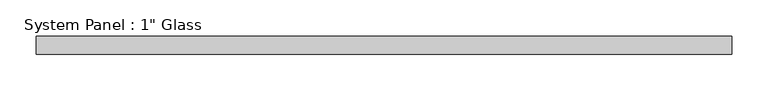
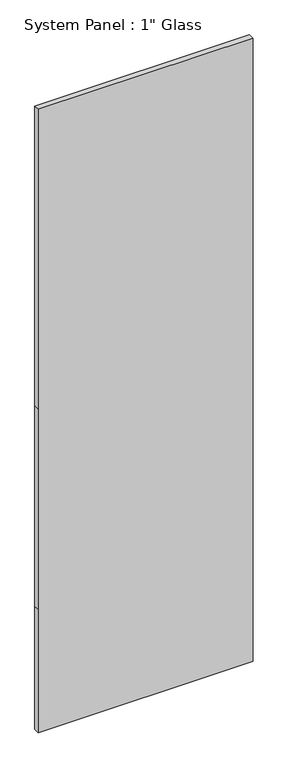
"""IFC4 building model written with IfcOpenShell, lengths in millimetres: plate geometry."""

import ifcopenshell
import ifcopenshell.guid

model = None  # the IFC model being written
_history = None  # IfcOwnerHistory: only IFC2X3 demands one
_inside = {}  # id of a spatial element -> (the spatial element, [elements in it])
_under = {}  # id of a project, library or spatial element -> (it, [spatial elements below it])
_declared = {}  # id of a project -> (the project, [libraries it declares])
_typed = {}  # id of a type object -> (the type object, [elements of that type])
_made_of = {}  # id of a material, layer set ... -> (it, [elements and type objects made of it])


def new_model(schema):
    """Start an empty IFC model of exactly this schema.

    Asked for "IFC4X3", IfcOpenShell would pick the latest addendum, in which some entities
    have other attributes; the version numbers below select the first issue.
    IFC2X3 requires an IfcOwnerHistory on every rooted entity: one is made here for all.
    """
    global model, _history
    if schema == "IFC4X3":
        model = ifcopenshell.file(schema_version=(4, 3, 0, 0))
    else:
        model = ifcopenshell.file(schema=schema)
    _inside.clear()
    _under.clear()
    _declared.clear()
    _typed.clear()
    _made_of.clear()
    _history = None
    if model.schema == "IFC2X3":
        org = make("IfcOrganization", Name="unknown")
        user = make(
            "IfcPersonAndOrganization",
            ThePerson=make("IfcPerson", FamilyName="unknown"),
            TheOrganization=org,
        )
        app = make(
            "IfcApplication",
            ApplicationDeveloper=org,
            Version="unknown",
            ApplicationFullName="unknown",
            ApplicationIdentifier="unknown",
        )
        _history = make(
            "IfcOwnerHistory",
            OwningUser=user,
            OwningApplication=app,
            ChangeAction="ADDED",
            CreationDate=0,
        )
    return model


def make(cls, **values):
    """One entity of the class cls with the attributes given. An attribute that is None is left unset."""
    return model.create_entity(
        cls, **{name: value for name, value in values.items() if value is not None}
    )


def rooted(cls, **values):
    """An entity with a GlobalId (a new one), such as an element, a storey or a relation."""
    return make(cls, GlobalId=ifcopenshell.guid.new(), OwnerHistory=_history, **values)


def si_unit(unit_type, name, prefix=None):
    """IfcSIUnit, for example si_unit("LENGTHUNIT", "METRE", prefix="MILLI")."""
    return make("IfcSIUnit", UnitType=unit_type, Prefix=prefix, Name=name)


def assignment(units):
    """IfcUnitAssignment: the units of a project."""
    return None if units is None else make("IfcUnitAssignment", Units=units)


def point(xyz):
    """IfcCartesianPoint."""
    return None if xyz is None else make("IfcCartesianPoint", Coordinates=xyz)


def direction(xyz):
    """IfcDirection."""
    return None if xyz is None else make("IfcDirection", DirectionRatios=xyz)


def frame(location, z_axis=None, x_axis=None):
    """IfcAxis2Placement3D, a coordinate frame: its origin and axes. An axis left out is left unset."""
    return make(
        "IfcAxis2Placement3D",
        Location=point(location),
        Axis=direction(z_axis),
        RefDirection=direction(x_axis),
    )


def origin():
    """The frame at (0, 0, 0) with its axes left unset."""
    return frame((0.0, 0.0, 0.0))


def place(relative_to, where):
    """IfcLocalPlacement: puts the frame where relative to a parent placement (None: the world)."""
    return make(
        "IfcLocalPlacement", PlacementRelTo=relative_to, RelativePlacement=where
    )


def context(
    kind, dimensions, precision=None, world=None, true_north=None, identifier=None
):
    """IfcGeometricRepresentationContext, for example the 3D "Model" context."""
    return make(
        "IfcGeometricRepresentationContext",
        ContextIdentifier=identifier,
        ContextType=kind,
        CoordinateSpaceDimension=dimensions,
        Precision=precision,
        WorldCoordinateSystem=world,
        TrueNorth=true_north,
    )


def project(units=None, contexts=None):
    """IfcProject with its units and contexts."""
    return rooted(
        "IfcProject",
        Name="project",
        RepresentationContexts=contexts,
        UnitsInContext=assignment(units),
    )


def spatial(cls, under=None, at=None, **own):
    """A site, building, storey or space (cls), placed at a placement, below another one or the project."""
    s = rooted(cls, ObjectPlacement=at, **own)
    if under is not None:
        _under.setdefault(under.id(), (under, []))[1].append(s)
    return s


def polyline(points):
    """IfcPolyline through the points."""
    return make("IfcPolyline", Points=[point(p) for p in points])


def outline(outer, holes=None, kind="AREA"):
    """IfcArbitraryClosedProfileDef: a profile drawn as a closed curve; with holes, ...WithVoids."""
    if holes is None:
        return make("IfcArbitraryClosedProfileDef", ProfileType=kind, OuterCurve=outer)
    return make(
        "IfcArbitraryProfileDefWithVoids",
        ProfileType=kind,
        OuterCurve=outer,
        InnerCurves=holes,
    )


def extrude(swept, where, along, depth):
    """IfcExtrudedAreaSolid: the profile swept, set in the frame where, extruded along a direction by depth."""
    return make(
        "IfcExtrudedAreaSolid",
        SweptArea=swept,
        Position=where,
        ExtrudedDirection=direction(along),
        Depth=depth,
    )


def shape(context_of_items, identifier, shape_type, items):
    """IfcShapeRepresentation: the items that make up one representation, for example the "Body"."""
    return make(
        "IfcShapeRepresentation",
        ContextOfItems=context_of_items,
        RepresentationIdentifier=identifier,
        RepresentationType=shape_type,
        Items=items,
    )


def source(mapping_origin, context_of_items, identifier, shape_type, items):
    """IfcRepresentationMap: a shape defined once, which mapped items show again and again."""
    return make(
        "IfcRepresentationMap",
        MappingOrigin=mapping_origin,
        MappedRepresentation=shape(context_of_items, identifier, shape_type, items),
    )


def transform(
    local_origin,
    x_axis=None,
    y_axis=None,
    z_axis=None,
    scale=None,
    scale2=None,
    scale3=None,
    uniform=True,
):
    """IfcCartesianTransformationOperator3D, or its non-uniform kind. x_axis, y_axis, z_axis: its Axis1, 2, 3."""
    if uniform:
        return make(
            "IfcCartesianTransformationOperator3D",
            Axis1=direction(x_axis),
            Axis2=direction(y_axis),
            LocalOrigin=point(local_origin),
            Scale=scale,
            Axis3=direction(z_axis),
        )
    return make(
        "IfcCartesianTransformationOperator3DnonUniform",
        Axis1=direction(x_axis),
        Axis2=direction(y_axis),
        LocalOrigin=point(local_origin),
        Scale=scale,
        Axis3=direction(z_axis),
        Scale2=scale2,
        Scale3=scale3,
    )


def mapped(mapping_source, mapping_target):
    """IfcMappedItem: shows the shape of a source again, moved by a transform."""
    return make(
        "IfcMappedItem", MappingSource=mapping_source, MappingTarget=mapping_target
    )


def made_of(thing, what):
    """Note that an element or type object is made of a material, layer set ...; save() writes the relation."""
    if what is not None:
        _made_of.setdefault(what.id(), (what, []))[1].append(thing)
    return thing


def element(
    cls,
    number,
    at=None,
    inside=None,
    cuts=None,
    type_object=None,
    material=None,
    context=None,
    identifier="Body",
    shape_type=None,
    held_by="IfcProductDefinitionShape",
    body=None,
    shapes=None,
    **own,
):
    """One element of the class cls, such as IfcWall. Its Tag is "e" and its number.

    at: its placement. inside: the storey or other place that contains it. cuts: it is an
    opening in that element (IfcRelVoidsElement). A single representation is given by context,
    identifier, shape_type and body (its items); several are given by shapes. held_by: the class
    of the entity that holds the representations. save() writes the other relations.
    """
    e = rooted(cls, Tag="e%d" % number, ObjectPlacement=at, **own)
    if body is not None:
        shapes = [shape(context, identifier, shape_type, body)]
    if shapes is not None:
        e.Representation = make(held_by, Representations=shapes)
    if inside is not None:
        _inside.setdefault(inside.id(), (inside, []))[1].append(e)
    if cuts is not None:
        rooted(
            "IfcRelVoidsElement", RelatingBuildingElement=cuts, RelatedOpeningElement=e
        )
    if type_object is not None:
        _typed.setdefault(type_object.id(), (type_object, []))[1].append(e)
    return made_of(e, material)


def aggregate(whole, parts):
    """IfcRelAggregates: a whole, such as a stair, and the parts it consists of."""
    return rooted("IfcRelAggregates", RelatingObject=whole, RelatedObjects=parts)


def save(model, path):
    """Write the relations noted so far, then the file.

    IfcRelAggregates (storeys below a building ...), IfcRelContainedInSpatialStructure (elements
    in a storey), IfcRelDefinesByType, IfcRelAssociatesMaterial and IfcRelDeclares: one each for
    every whole, place, type object, material and project.
    """
    for whole, parts in _under.values():
        aggregate(whole, parts)
    for where, things in _inside.values():
        rooted(
            "IfcRelContainedInSpatialStructure",
            RelatedElements=things,
            RelatingStructure=where,
        )
    for kind, things in _typed.values():
        rooted("IfcRelDefinesByType", RelatedObjects=things, RelatingType=kind)
    for what, things in _made_of.values():
        rooted("IfcRelAssociatesMaterial", RelatedObjects=things, RelatingMaterial=what)
    for by, libraries in _declared.values():
        rooted("IfcRelDeclares", RelatingContext=by, RelatedDefinitions=libraries)
    model.write(path)


def plate_9da8be51(model_context):
    return source(origin(), model_context, "Body", "SweptSolid", [
        extrude(outline(polyline([(0.0, -482.6), (0.0, 482.6), (584.2, 482.6), (1536.7, 482.6), (2959.1, 482.6), (2959.1, -482.6), (1536.7, -482.6), (584.2, -482.6), (0.0, -482.6)])), frame((0.0, -12.7, 0.0), z_axis=(0.0, 1.0, 0.0), x_axis=(0.0, 0.0, 1.0)), (0.0, 0.0, 1.0), 25.4),
    ])


if __name__ == "__main__":
    model = new_model("IFC4")
    model_context = context("Model", 3, world=origin())
    ifc_project = project(units=[si_unit("LENGTHUNIT", "METRE", prefix="MILLI")], contexts=[model_context])
    site = spatial("IfcSite", under=ifc_project)
    building = spatial("IfcBuilding", under=site)
    placement = place(None, origin())
    plate_shape = plate_9da8be51(model_context)
    element("IfcPlate", 1, ObjectType="System Panel : 1\" Glass", at=placement, inside=building, context=model_context, shape_type="MappedRepresentation", body=[
        mapped(plate_shape, transform((0.0, 0.0, 0.0), x_axis=(1.0, 0.0, 0.0), y_axis=(0.0, 1.0, 0.0), z_axis=(0.0, 0.0, 1.0))),
    ])
    save(model, "model.ifc")
